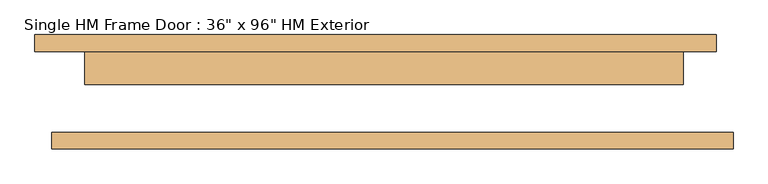
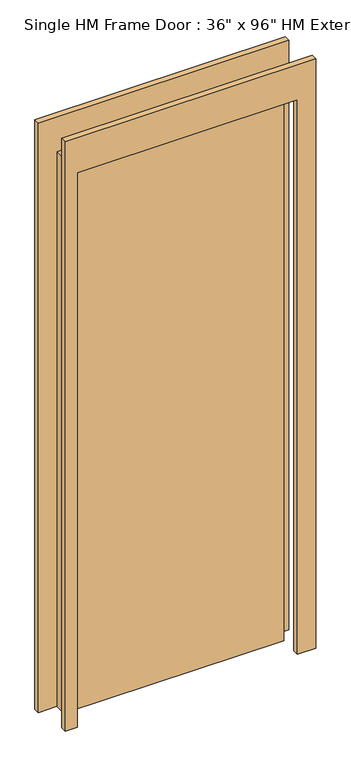
"""IFC4 building model written with IfcOpenShell, lengths in millimetres: door geometry."""

from ifc_helpers import new_model, si_unit, frame, origin, origin_with_axes, place, context, project, spatial, polyline, outline, extrude, source, transform, mapped, element, save


def door_59a8de86(model_context):
    return source(origin(), model_context, "Body", "SweptSolid", [
        extrude(outline(polyline([(2590.8, -533.4), (0.0, -533.4), (0.0, -457.2), (2438.4, -457.2), (2438.4, 457.2), (0.0, 457.2), (0.0, 508.0), (2590.8, 508.0), (2590.8, -533.4)])), frame((0.0, 61.9125, 0.0), z_axis=(0.0, 1.0, 0.0), x_axis=(0.0, 0.0, 1.0)), (0.0, 0.0, 1.0), 25.4),
        extrude(outline(polyline([(2590.8, 533.4), (2590.8, -508.0), (0.0, -508.0), (0.0, -457.2), (2438.4, -457.2), (2438.4, 457.2), (0.0, 457.2), (0.0, 533.4), (2590.8, 533.4)])), frame((0.0, -87.3125, 0.0), z_axis=(0.0, 1.0, 0.0), x_axis=(0.0, 0.0, 1.0)), (0.0, 0.0, 1.0), 25.4),
        extrude(outline(polyline([(457.2, 11.1125), (-457.2, 11.1125), (-457.2, 76.2), (457.2, 76.2), (457.2, 11.1125)])), origin_with_axes(), (0.0, 0.0, 1.0), 2438.4),
    ])


if __name__ == "__main__":
    model = new_model("IFC4")
    model_context = context("Model", 3, world=origin())
    ifc_project = project(units=[si_unit("LENGTHUNIT", "METRE", prefix="MILLI")], contexts=[model_context])
    site = spatial("IfcSite", under=ifc_project)
    building = spatial("IfcBuilding", under=site)
    placement = place(None, origin())
    door_shape = door_59a8de86(model_context)
    element("IfcDoor", 1, ObjectType="Single HM Frame Door : 36\" x 96\" HM Exterior", at=placement, inside=building, context=model_context, shape_type="MappedRepresentation", body=[
        mapped(door_shape, transform((0.0, 0.0, 0.0), x_axis=(1.0, 0.0, 0.0), y_axis=(0.0, 1.0, 0.0), z_axis=(0.0, 0.0, 1.0))),
    ])
    save(model, "model.ifc")
